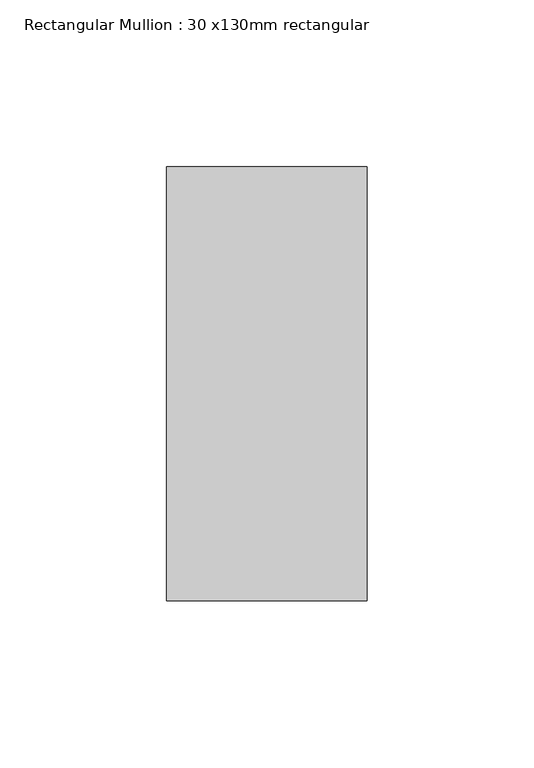
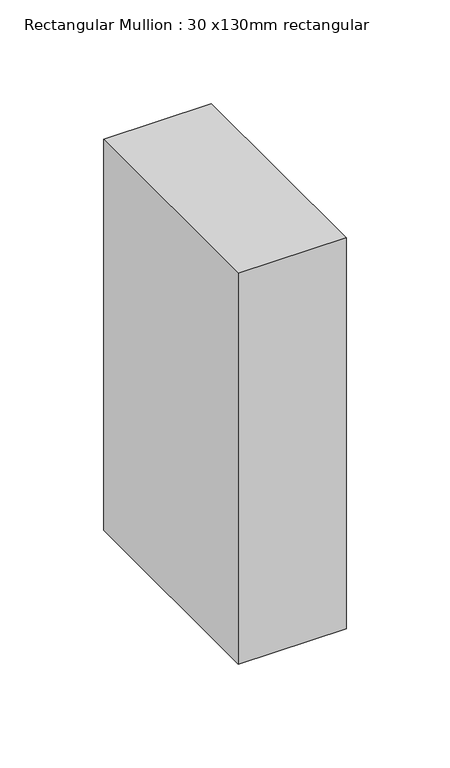
"""IFC4 building model written with IfcOpenShell, lengths in millimetres: member geometry, Rectangular Mullion : 30 x130mm rectangular."""

from ifc_helpers import new_model, si_unit, frame, origin, place, context, project, spatial, polyline, outline, extrude, source, transform, mapped, element, save


def rectangular_mullion_30_x130mm_rectangular_1914c75a(model_context):
    return source(origin(), model_context, "Body", "SweptSolid", [
        extrude(outline(polyline([(0.0, 65.0), (0.0, -65.0), (-60.0, -65.0), (-60.0, 65.0), (0.0, 65.0)])), frame((0.0, 0.0, -230.3013474), z_axis=(0.0, 0.0, 1.0), x_axis=(1.0, 0.0, 0.0)), (0.0, 0.0, 1.0), 230.3013474),
    ])


if __name__ == "__main__":
    model = new_model("IFC4")
    model_context = context("Model", 3, world=origin())
    ifc_project = project(units=[si_unit("LENGTHUNIT", "METRE", prefix="MILLI")], contexts=[model_context])
    site = spatial("IfcSite", under=ifc_project)
    building = spatial("IfcBuilding", under=site)
    placement = place(None, origin())
    rectangular_mullion_30_x130mm_rectangular_shape = rectangular_mullion_30_x130mm_rectangular_1914c75a(model_context)
    element("IfcMember", 1, ObjectType="Rectangular Mullion : 30 x130mm rectangular", at=placement, inside=building, context=model_context, shape_type="MappedRepresentation", body=[
        mapped(rectangular_mullion_30_x130mm_rectangular_shape, transform((0.0, 0.0, 0.0), x_axis=(1.0, 0.0, 0.0), y_axis=(0.0, 1.0, 0.0), z_axis=(0.0, 0.0, 1.0))),
    ])
    save(model, "model.ifc")
